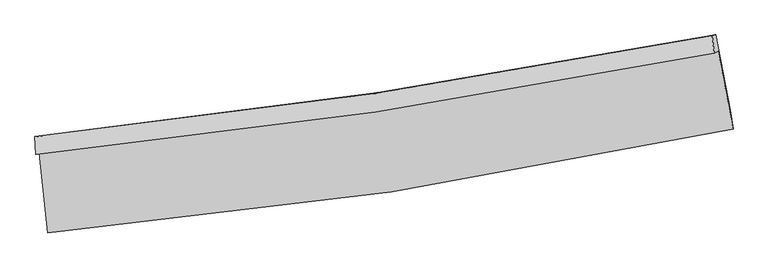
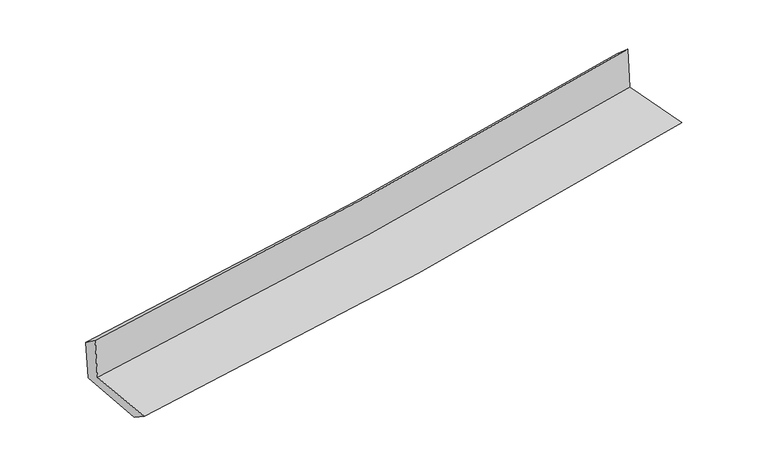
"""IFC4 building model written with IfcOpenShell, lengths in millimetres: proxy geometry."""

import ifcopenshell
import ifcopenshell.guid

model = None  # the IFC model being written
_history = None  # IfcOwnerHistory: only IFC2X3 demands one
_inside = {}  # id of a spatial element -> (the spatial element, [elements in it])
_under = {}  # id of a project, library or spatial element -> (it, [spatial elements below it])
_declared = {}  # id of a project -> (the project, [libraries it declares])
_typed = {}  # id of a type object -> (the type object, [elements of that type])
_made_of = {}  # id of a material, layer set ... -> (it, [elements and type objects made of it])


def new_model(schema):
    """Start an empty IFC model of exactly this schema.

    Asked for "IFC4X3", IfcOpenShell would pick the latest addendum, in which some entities
    have other attributes; the version numbers below select the first issue.
    IFC2X3 requires an IfcOwnerHistory on every rooted entity: one is made here for all.
    """
    global model, _history
    if schema == "IFC4X3":
        model = ifcopenshell.file(schema_version=(4, 3, 0, 0))
    else:
        model = ifcopenshell.file(schema=schema)
    _inside.clear()
    _under.clear()
    _declared.clear()
    _typed.clear()
    _made_of.clear()
    _history = None
    if model.schema == "IFC2X3":
        org = make("IfcOrganization", Name="unknown")
        user = make(
            "IfcPersonAndOrganization",
            ThePerson=make("IfcPerson", FamilyName="unknown"),
            TheOrganization=org,
        )
        app = make(
            "IfcApplication",
            ApplicationDeveloper=org,
            Version="unknown",
            ApplicationFullName="unknown",
            ApplicationIdentifier="unknown",
        )
        _history = make(
            "IfcOwnerHistory",
            OwningUser=user,
            OwningApplication=app,
            ChangeAction="ADDED",
            CreationDate=0,
        )
    return model


def make(cls, **values):
    """One entity of the class cls with the attributes given. An attribute that is None is left unset."""
    return model.create_entity(
        cls, **{name: value for name, value in values.items() if value is not None}
    )


def rooted(cls, **values):
    """An entity with a GlobalId (a new one), such as an element, a storey or a relation."""
    return make(cls, GlobalId=ifcopenshell.guid.new(), OwnerHistory=_history, **values)


def si_unit(unit_type, name, prefix=None):
    """IfcSIUnit, for example si_unit("LENGTHUNIT", "METRE", prefix="MILLI")."""
    return make("IfcSIUnit", UnitType=unit_type, Prefix=prefix, Name=name)


def assignment(units):
    """IfcUnitAssignment: the units of a project."""
    return None if units is None else make("IfcUnitAssignment", Units=units)


def point(xyz):
    """IfcCartesianPoint."""
    return None if xyz is None else make("IfcCartesianPoint", Coordinates=xyz)


def direction(xyz):
    """IfcDirection."""
    return None if xyz is None else make("IfcDirection", DirectionRatios=xyz)


def frame(location, z_axis=None, x_axis=None):
    """IfcAxis2Placement3D, a coordinate frame: its origin and axes. An axis left out is left unset."""
    return make(
        "IfcAxis2Placement3D",
        Location=point(location),
        Axis=direction(z_axis),
        RefDirection=direction(x_axis),
    )


def origin():
    """The frame at (0, 0, 0) with its axes left unset."""
    return frame((0.0, 0.0, 0.0))


def place(relative_to, where):
    """IfcLocalPlacement: puts the frame where relative to a parent placement (None: the world)."""
    return make(
        "IfcLocalPlacement", PlacementRelTo=relative_to, RelativePlacement=where
    )


def context(
    kind, dimensions, precision=None, world=None, true_north=None, identifier=None
):
    """IfcGeometricRepresentationContext, for example the 3D "Model" context."""
    return make(
        "IfcGeometricRepresentationContext",
        ContextIdentifier=identifier,
        ContextType=kind,
        CoordinateSpaceDimension=dimensions,
        Precision=precision,
        WorldCoordinateSystem=world,
        TrueNorth=true_north,
    )


def project(units=None, contexts=None):
    """IfcProject with its units and contexts."""
    return rooted(
        "IfcProject",
        Name="project",
        RepresentationContexts=contexts,
        UnitsInContext=assignment(units),
    )


def spatial(cls, under=None, at=None, **own):
    """A site, building, storey or space (cls), placed at a placement, below another one or the project."""
    s = rooted(cls, ObjectPlacement=at, **own)
    if under is not None:
        _under.setdefault(under.id(), (under, []))[1].append(s)
    return s


def shape(context_of_items, identifier, shape_type, items):
    """IfcShapeRepresentation: the items that make up one representation, for example the "Body"."""
    return make(
        "IfcShapeRepresentation",
        ContextOfItems=context_of_items,
        RepresentationIdentifier=identifier,
        RepresentationType=shape_type,
        Items=items,
    )


def source(mapping_origin, context_of_items, identifier, shape_type, items):
    """IfcRepresentationMap: a shape defined once, which mapped items show again and again."""
    return make(
        "IfcRepresentationMap",
        MappingOrigin=mapping_origin,
        MappedRepresentation=shape(context_of_items, identifier, shape_type, items),
    )


def transform(
    local_origin,
    x_axis=None,
    y_axis=None,
    z_axis=None,
    scale=None,
    scale2=None,
    scale3=None,
    uniform=True,
):
    """IfcCartesianTransformationOperator3D, or its non-uniform kind. x_axis, y_axis, z_axis: its Axis1, 2, 3."""
    if uniform:
        return make(
            "IfcCartesianTransformationOperator3D",
            Axis1=direction(x_axis),
            Axis2=direction(y_axis),
            LocalOrigin=point(local_origin),
            Scale=scale,
            Axis3=direction(z_axis),
        )
    return make(
        "IfcCartesianTransformationOperator3DnonUniform",
        Axis1=direction(x_axis),
        Axis2=direction(y_axis),
        LocalOrigin=point(local_origin),
        Scale=scale,
        Axis3=direction(z_axis),
        Scale2=scale2,
        Scale3=scale3,
    )


def mapped(mapping_source, mapping_target):
    """IfcMappedItem: shows the shape of a source again, moved by a transform."""
    return make(
        "IfcMappedItem", MappingSource=mapping_source, MappingTarget=mapping_target
    )


def made_of(thing, what):
    """Note that an element or type object is made of a material, layer set ...; save() writes the relation."""
    if what is not None:
        _made_of.setdefault(what.id(), (what, []))[1].append(thing)
    return thing


def element(
    cls,
    number,
    at=None,
    inside=None,
    cuts=None,
    type_object=None,
    material=None,
    context=None,
    identifier="Body",
    shape_type=None,
    held_by="IfcProductDefinitionShape",
    body=None,
    shapes=None,
    **own,
):
    """One element of the class cls, such as IfcWall. Its Tag is "e" and its number.

    at: its placement. inside: the storey or other place that contains it. cuts: it is an
    opening in that element (IfcRelVoidsElement). A single representation is given by context,
    identifier, shape_type and body (its items); several are given by shapes. held_by: the class
    of the entity that holds the representations. save() writes the other relations.
    """
    e = rooted(cls, Tag="e%d" % number, ObjectPlacement=at, **own)
    if body is not None:
        shapes = [shape(context, identifier, shape_type, body)]
    if shapes is not None:
        e.Representation = make(held_by, Representations=shapes)
    if inside is not None:
        _inside.setdefault(inside.id(), (inside, []))[1].append(e)
    if cuts is not None:
        rooted(
            "IfcRelVoidsElement", RelatingBuildingElement=cuts, RelatedOpeningElement=e
        )
    if type_object is not None:
        _typed.setdefault(type_object.id(), (type_object, []))[1].append(e)
    return made_of(e, material)


def aggregate(whole, parts):
    """IfcRelAggregates: a whole, such as a stair, and the parts it consists of."""
    return rooted("IfcRelAggregates", RelatingObject=whole, RelatedObjects=parts)


def save(model, path):
    """Write the relations noted so far, then the file.

    IfcRelAggregates (storeys below a building ...), IfcRelContainedInSpatialStructure (elements
    in a storey), IfcRelDefinesByType, IfcRelAssociatesMaterial and IfcRelDeclares: one each for
    every whole, place, type object, material and project.
    """
    for whole, parts in _under.values():
        aggregate(whole, parts)
    for where, things in _inside.values():
        rooted(
            "IfcRelContainedInSpatialStructure",
            RelatedElements=things,
            RelatingStructure=where,
        )
    for kind, things in _typed.values():
        rooted("IfcRelDefinesByType", RelatedObjects=things, RelatingType=kind)
    for what, things in _made_of.values():
        rooted("IfcRelAssociatesMaterial", RelatedObjects=things, RelatingMaterial=what)
    for by, libraries in _declared.values():
        rooted("IfcRelDeclares", RelatingContext=by, RelatedDefinitions=libraries)
    model.write(path)


def plane_surface(at):
    """IfcPlane: the flat surface through the origin of the frame at, square to its z axis."""
    return make("IfcPlane", Position=at)


def spline_curve(degree, points, multiplicities, knots, weights=None):
    """IfcBSplineCurveWithKnots; with weights, IfcRationalBSplineCurveWithKnots."""
    own = dict(
        Degree=degree,
        ControlPointsList=[point(p) for p in points],
        CurveForm="UNSPECIFIED",
        ClosedCurve=False,
        SelfIntersect=False,
        KnotMultiplicities=multiplicities,
        Knots=knots,
        KnotSpec="UNSPECIFIED",
    )
    if weights is None:
        return make("IfcBSplineCurveWithKnots", **own)
    return make("IfcRationalBSplineCurveWithKnots", WeightsData=weights, **own)


def spline_surface(u_degree, v_degree, points, u_multiplicities, v_multiplicities, u_knots, v_knots, weights=None):
    """IfcBSplineSurfaceWithKnots; with weights, IfcRationalBSplineSurfaceWithKnots. points: one row for each step in u."""
    own = dict(
        UDegree=u_degree,
        VDegree=v_degree,
        ControlPointsList=[[point(p) for p in row] for row in points],
        SurfaceForm="UNSPECIFIED",
        UClosed=False,
        VClosed=False,
        SelfIntersect=False,
        UMultiplicities=u_multiplicities,
        VMultiplicities=v_multiplicities,
        UKnots=u_knots,
        VKnots=v_knots,
        KnotSpec="UNSPECIFIED",
    )
    if weights is None:
        return make("IfcBSplineSurfaceWithKnots", **own)
    return make("IfcRationalBSplineSurfaceWithKnots", WeightsData=weights, **own)


def advanced_brep(points, edges, surfaces, faces):
    """IfcAdvancedBrep: a solid bounded by faces that lie on surfaces and meet in shared edges.

    An edge is (start, end): straight between two places in points (the first is 0);
    or (start, end, curve); or (start, end, curve, False) where it runs against its curve.
    A face is (place in surfaces, loops), or (place, loops, False) where it looks against
    its surface's normal. A loop lists edges by number (the first is 1), with a minus sign
    where the edge is run from its end to its start. The first loop is the outer one.
    """
    corners = [point(p) for p in points]
    vertices = [make("IfcVertexPoint", VertexGeometry=c) for c in corners]
    made = []
    for start, end, *more in edges:
        made.append(
            make(
                "IfcEdgeCurve",
                EdgeStart=vertices[start],
                EdgeEnd=vertices[end],
                EdgeGeometry=more[0] if more else make("IfcPolyline", Points=[corners[start], corners[end]]),
                SameSense=more[1] if len(more) > 1 else True,
            )
        )
    hull = []
    for where, loops, *sense in faces:
        bounds = []
        for j, loop in enumerate(loops):
            ring = [make("IfcOrientedEdge", EdgeElement=made[abs(k) - 1], Orientation=k > 0) for k in loop]
            bounds.append(
                make(
                    "IfcFaceOuterBound" if j == 0 else "IfcFaceBound",
                    Bound=make("IfcEdgeLoop", EdgeList=ring),
                    Orientation=True,
                )
            )
        hull.append(make("IfcAdvancedFace", Bounds=bounds, FaceSurface=surfaces[where], SameSense=sense[0] if sense else True))
    return make("IfcAdvancedBrep", Outer=make("IfcClosedShell", CfsFaces=hull))


def generic_models_d034b6b9(model_context):
    return source(origin(), model_context, "Body", "AdvancedBrep", [
        advanced_brep(
        [(-2850.5431523, -1900.4435049, 1641.4383937), (-2781.7973987, -2567.2367166, 1622.8817315), (2927.3560037, -1701.3998177, 2115.2267113), (2802.1056602, -1052.938536, 2128.7227787), (-2881.8915351, -1914.8710265, 2043.7254638), (2770.3131763, -1067.570447, 2536.7089031), (-2887.9112667, -1765.0715278, 1932.3157514), (2753.2378775, -922.9178886, 2411.5857879), (-2857.740726, -1757.2427352, 1552.6329954), (2782.6414725, -915.3432856, 2047.7038006), (-2789.0638786, -2411.7758603, 1519.7612285), (2905.1387484, -1543.3001099, 2020.394816)],
        [
            (0, 1),
            (1, 2, spline_curve(3, [(-2781.7973987, -2567.2367166, 1622.8817315), (-1824.781496936, -2482.47112035, 1714.456213027), (-871.480078969, -2368.144238319, 1801.197895927), (1031.601691059, -2079.775750726, 1965.352748496), (1981.351407372, -1905.490332996, 2042.726058943), (2927.3560037, -1701.3998177, 2115.2267113)], [4, 2, 4], [0.0, 9.443544033665031, 18.92595175219741])),
            (2, 3),
            (3, 0, spline_curve(3, [(2802.1056602, -1052.938536, 2128.7227787), (1864.288815074, -1240.221323362, 2057.462948385), (923.352641829, -1404.586192822, 1981.132224867), (-960.88914569, -1686.900375696, 1818.662615377), (-1904.169243264, -1805.037162469, 1732.565210947), (-2850.5431523, -1900.4435049, 1641.4383937)], [4, 2, 4], [0.0, 9.482407718532379, 18.92595175219741])),
            (4, 0),
            (3, 5),
            (5, 4, spline_curve(3, [(2770.3131763, -1067.570447, 2536.7089031), (1832.718533854, -1254.750969466, 2462.597595404), (891.930394283, -1419.047709289, 2384.367186884), (-992.163966478, -1701.294041757, 2220.005678499), (-1935.444064023, -1819.430828513, 2133.908273832), (-2881.8915351, -1914.8710265, 2043.7254638)], [4, 2, 4], [0.0, 9.43307302666542, 18.827484566889744])),
            (6, 4),
            (5, 7),
            (7, 6, spline_curve(3, [(2753.2378775, -922.9178886, 2411.5857879), (1817.64394884, -1104.138140776, 2330.776270902), (878.779196984, -1265.030190166, 2250.351117105), (-1001.63060707, -1545.581780765, 2090.597582388), (-1943.148903285, -1665.407611409, 2011.266057582), (-2887.9112667, -1765.0715278, 1932.3157514)], [4, 2, 4], [0.0, 9.42209993755926, 18.80558336192575])),
            (8, 6),
            (7, 9),
            (9, 8, spline_curve(3, [(2782.6414725, -915.3432856, 2047.7038006), (1847.859826385, -1096.347639056, 1955.669774372), (909.464556644, -1257.110691103, 1868.321746282), (-970.692403136, -1537.578262957, 1703.336477169), (-1912.424532683, -1657.448360926, 1625.660903405), (-2857.740726, -1757.2427352, 1552.6329954)], [4, 2, 4], [0.0, 9.411710313062189, 18.784846694847964])),
            (10, 8),
            (9, 11),
            (11, 10, spline_curve(3, [(2905.1387484, -1543.3001099, 2020.394816), (1963.696292824, -1748.621378476, 1926.461391485), (1017.473982674, -1923.741717748, 1837.700143548), (-880.63265961, -2212.986584687, 1670.864590586), (-1832.477891951, -2327.358162166, 1592.74797606), (-2789.0638786, -2411.7758603, 1519.7612285)], [4, 2, 4], [0.0, 9.460830306849168, 18.882885363936587])),
            (1, 10),
            (11, 2),
        ],
        [
            spline_surface(3, 3, [[(-2850.5431523, -1900.4435049, 1641.4383937), (-1904.169243332, -1805.037162463, 1732.565210795), (-960.889145726, -1686.900375722, 1818.662615458), (923.352641865, -1404.586192797, 1981.132224786), (1864.288815096, -1240.221323248, 2057.462948413), (2802.1056602, -1052.938536, 2128.7227787)], [(-2827.627901084, -2122.707908791, 1635.252839653), (-1877.706661143, -2030.848481703, 1726.528878277), (-931.086123449, -1913.981663265, 1812.841042264), (959.435658271, -1629.649378764, 1975.87239936), (1903.309679173, -1461.977659811, 2052.550651965), (2843.855774694, -1269.092296588, 2124.224089561)], [(-2804.712649916, -2344.972312709, 1629.067285547), (-1851.244079003, -2256.659800969, 1720.492545698), (-901.283101221, -2141.062950806, 1807.01946909), (995.518674627, -1854.71256473, 1970.612573954), (1942.330543266, -1683.733996311, 2047.638355534), (2885.605889206, -1485.246057112, 2119.725400439)], [(-2781.7973987, -2567.2367166, 1622.8817315), (-1824.781496815, -2482.471120209, 1714.45621318), (-871.480078944, -2368.144238349, 1801.197895896), (1031.601691034, -2079.775750697, 1965.352748528), (1981.351407342, -1905.490332874, 2042.726059086), (2927.3560037, -1701.3998177, 2115.2267113)]], [4, 4], [4, 2, 4], [0.0, 2.2492590662175727], [0.0, 9.443544033665031, 18.92595175219741]),
            spline_surface(3, 3, [[(-2881.8915351, -1914.8710265, 2043.7254638), (-1935.444064007, -1819.430828436, 2133.908273935), (-992.163966401, -1701.294041695, 2220.005678597), (891.930394205, -1419.047709352, 2384.367186785), (1832.718533738, -1254.75096958, 2462.597595262), (2770.3131763, -1067.570447, 2536.7089031)], [(-2871.44207418, -1910.061852644, 1909.629773749), (-1925.019123795, -1814.632939789, 2000.127252871), (-981.739026189, -1696.496153048, 2086.224657533), (902.404476745, -1414.227203844, 2249.955532768), (1843.241960845, -1249.907754135, 2327.552713003), (2780.910670921, -1062.693143332, 2400.713528324)], [(-2860.99261322, -1905.252678756, 1775.534083751), (-1914.594183543, -1809.83505111, 1866.346231859), (-971.314085937, -1691.698264369, 1952.443636522), (912.878559325, -1409.406698304, 2115.543878803), (1853.765387989, -1245.064538693, 2192.507830672), (2791.508165579, -1057.815839668, 2264.718153476)], [(-2850.5431523, -1900.4435049, 1641.4383937), (-1904.169243332, -1805.037162463, 1732.565210795), (-960.889145726, -1686.900375722, 1818.662615458), (923.352641865, -1404.586192797, 1981.132224786), (1864.288815096, -1240.221323248, 2057.462948413), (2802.1056602, -1052.938536, 2128.7227787)]], [4, 4], [4, 2, 4], [0.0, 1.324705866970358], [0.0, 9.394411540224324, 18.827484566889744]),
            spline_surface(3, 3, [[(-2887.9112667, -1765.0715278, 1932.3157514), (-1943.148903293, -1665.407611366, 2011.266057525), (-1001.63060708, -1545.58178085, 2090.597582425), (878.779196995, -1265.030190081, 2250.351117068), (1817.643948874, -1104.138140876, 2330.776271043), (2753.2378775, -922.9178886, 2411.5857879)], [(-2885.904689503, -1815.004694012, 1969.452322199), (-1940.580623534, -1716.748683701, 2052.146796327), (-998.47506017, -1597.48586779, 2133.733614499), (883.162929416, -1316.369363163, 2295.023140325), (1822.668810503, -1154.342417103, 2374.716712449), (2758.929643774, -971.135408059, 2453.293492966)], [(-2883.898112297, -1864.937860288, 2006.588893001), (-1938.012343766, -1768.089756101, 2093.027535133), (-995.319513312, -1649.389954755, 2176.869646522), (887.546661785, -1367.70853627, 2339.695163529), (1827.69367211, -1204.546693353, 2418.657153856), (2764.621410026, -1019.352927541, 2495.001198034)], [(-2881.8915351, -1914.8710265, 2043.7254638), (-1935.444064007, -1819.430828436, 2133.908273935), (-992.163966401, -1701.294041695, 2220.005678597), (891.930394205, -1419.047709352, 2384.367186785), (1832.718533738, -1254.75096958, 2462.597595262), (2770.3131763, -1067.570447, 2536.7089031)]], [4, 4], [4, 2, 4], [0.0, 0.6680410369625529], [0.0, 9.383483424366489, 18.80558336192575]),
            spline_surface(3, 3, [[(-2857.740726, -1757.2427352, 1552.6329954), (-1912.424532819, -1657.448360799, 1625.660903407), (-970.692403102, -1537.578262914, 1703.336477087), (909.46455661, -1257.110691146, 1868.321746363), (1847.859826369, -1096.347639164, 1955.669774434), (2782.6414725, -915.3432856, 2047.7038006)], [(-2867.797572871, -1759.852332742, 1679.19391407), (-1922.665989615, -1660.10144433, 1754.195954783), (-981.005137764, -1540.246102233, 1832.423512194), (899.236103403, -1259.750524132, 1995.664869926), (1837.787867208, -1098.94447307, 2080.705273295), (2772.840274171, -917.868153268, 2168.997796358)], [(-2877.854419829, -1762.461930258, 1805.75483273), (-1932.907446497, -1662.754527835, 1882.731006149), (-991.317872418, -1542.913941531, 1961.510547318), (889.007650203, -1262.390357095, 2123.007993506), (1827.715908035, -1101.541306971, 2205.740772182), (2763.039075829, -920.393020932, 2290.291792142)], [(-2887.9112667, -1765.0715278, 1932.3157514), (-1943.148903293, -1665.407611366, 2011.266057525), (-1001.63060708, -1545.58178085, 2090.597582425), (878.779196995, -1265.030190081, 2250.351117068), (1817.643948874, -1104.138140876, 2330.776271043), (2753.2378775, -922.9178886, 2411.5857879)]], [4, 4], [4, 2, 4], [0.0, 1.2662357665480368], [0.0, 9.373136381785775, 18.784846694847964]),
            spline_surface(3, 3, [[(-2789.0638786, -2411.7758603, 1519.7612285), (-1832.477892103, -2327.358162165, 1592.747976023), (-880.632659735, -2212.986584658, 1670.864590558), (1017.4739828, -1923.741717778, 1837.700143577), (1963.696292787, -1748.621378536, 1926.461391524), (2905.1387484, -1543.3001099, 2020.394816)], [(-2811.956161083, -2193.598151915, 1530.718484134), (-1859.126772357, -2104.054895024, 1603.718951818), (-910.652574198, -1987.850477414, 1681.688552746), (981.470840729, -1701.531375571, 1847.907344517), (1925.084137322, -1531.196798752, 1936.197519144), (2864.306323107, -1333.981168474, 2029.49781085)], [(-2834.848443517, -1975.420443585, 1541.675739766), (-1885.775652564, -1880.75162794, 1614.689927611), (-940.672488639, -1762.714370158, 1692.512514899), (945.467698681, -1479.321033353, 1858.114545423), (1886.471981835, -1313.772218948, 1945.933646814), (2823.473897793, -1124.662227026, 2038.60080575)], [(-2857.740726, -1757.2427352, 1552.6329954), (-1912.424532819, -1657.448360799, 1625.660903407), (-970.692403102, -1537.578262914, 1703.336477087), (909.46455661, -1257.110691146, 1868.321746363), (1847.859826369, -1096.347639164, 1955.669774434), (2782.6414725, -915.3432856, 2047.7038006)]], [4, 4], [4, 2, 4], [0.0, 2.2277196456372854], [0.0, 9.42205505708742, 18.882885363936587]),
            spline_surface(3, 3, [[(-2781.7973987, -2567.2367166, 1622.8817315), (-1824.781496815, -2482.471120209, 1714.45621318), (-871.480078944, -2368.144238349, 1801.197895896), (1031.601691034, -2079.775750697, 1965.352748528), (1981.351407342, -1905.490332874, 2042.726059086), (2927.3560037, -1701.3998177, 2115.2267113)], [(-2784.219558679, -2515.416431196, 1588.508230494), (-1827.346961923, -2430.76680089, 1673.886800788), (-874.530939218, -2316.425020437, 1757.753460785), (1026.892454945, -2027.764406377, 1922.801880212), (1975.466369157, -1853.200681407, 2003.971169906), (2919.950251933, -1648.699915079, 2083.61607954)], [(-2786.641718621, -2463.596145704, 1554.134729506), (-1829.912426995, -2379.062481484, 1633.317388414), (-877.581799461, -2264.705802569, 1714.309025669), (1022.183218888, -1975.753062099, 1880.251011892), (1969.581330972, -1800.911030003, 1965.216280704), (2912.544500167, -1596.000012521, 2052.00544776)], [(-2789.0638786, -2411.7758603, 1519.7612285), (-1832.477892103, -2327.358162165, 1592.747976023), (-880.632659735, -2212.986584658, 1670.864590558), (1017.4739828, -1923.741717778, 1837.700143577), (1963.696292787, -1748.621378536, 1926.461391524), (2905.1387484, -1543.3001099, 2020.394816)]], [4, 4], [4, 2, 4], [0.0, 0.6641905315983319], [0.0, 9.481634055868522, 19.00228855116753]),
            plane_surface(frame((2823.4654898, -1200.5783475, 2210.0571329), z_axis=(0.9787858817832928, 0.18732532884694528, 0.08299047411652576), x_axis=(-0.08052544976694498, -0.02074400474036427, 0.9965366717824101))),
            plane_surface(frame((-2841.4913262, -2052.7735619, 1718.7925941), z_axis=(-0.9916967393057061, -0.09999256706688586, -0.08086447787381584), x_axis=(-0.1025161749777131, 0.9943463550153869, 0.027672371339533625))),
        ],
        [
            (0, [[1, 2, 3, 4]]),
            (1, [[5, -4, 6, 7]]),
            (2, [[8, -7, 9, 10]]),
            (3, [[11, -10, 12, 13]]),
            (4, [[14, -13, 15, 16]]),
            (5, [[17, -16, 18, -2]]),
            (6, [[-12, -9, -6, -3, -18, -15]]),
            (7, [[-1, -5, -8, -11, -14, -17]]),
        ],
    ),
    ])


if __name__ == "__main__":
    model = new_model("IFC4")
    model_context = context("Model", 3, world=origin())
    ifc_project = project(units=[si_unit("LENGTHUNIT", "METRE", prefix="MILLI")], contexts=[model_context])
    site = spatial("IfcSite", under=ifc_project)
    building = spatial("IfcBuilding", under=site)
    placement = place(None, origin())
    generic_models_shape = generic_models_d034b6b9(model_context)
    element("IfcBuildingElementProxy", 1, Name="Generic Models", at=placement, inside=building, context=model_context, shape_type="MappedRepresentation", body=[
        mapped(generic_models_shape, transform((0.0, 0.0, 0.0), x_axis=(1.0, 0.0, 0.0), y_axis=(0.0, 1.0, 0.0), z_axis=(0.0, 0.0, 1.0))),
    ])
    save(model, "model.ifc")
